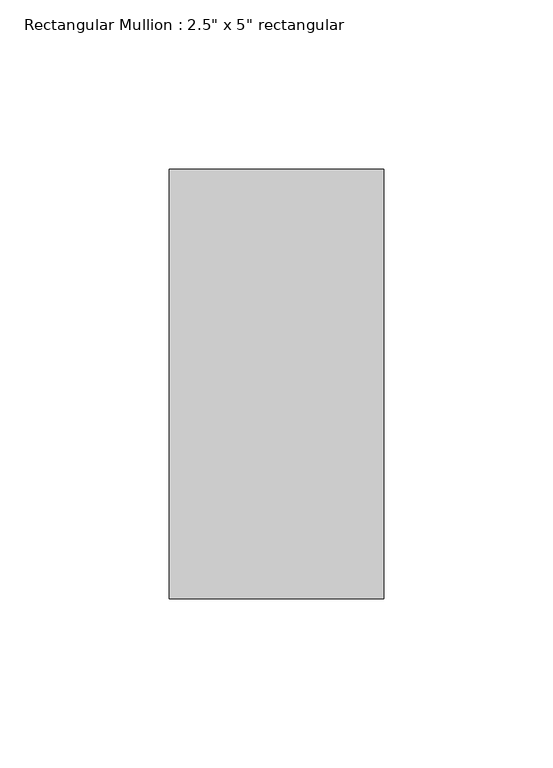
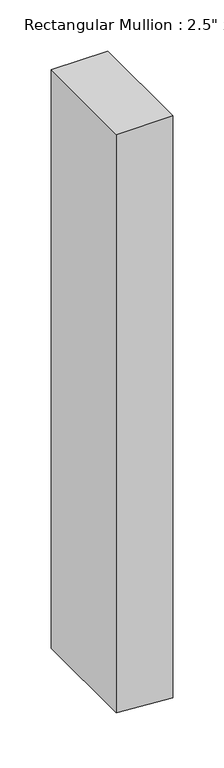
"""IFC4 building model written with IfcOpenShell, lengths in millimetres: member geometry."""

import ifcopenshell
import ifcopenshell.guid

model = None  # the IFC model being written
_history = None  # IfcOwnerHistory: only IFC2X3 demands one
_inside = {}  # id of a spatial element -> (the spatial element, [elements in it])
_under = {}  # id of a project, library or spatial element -> (it, [spatial elements below it])
_declared = {}  # id of a project -> (the project, [libraries it declares])
_typed = {}  # id of a type object -> (the type object, [elements of that type])
_made_of = {}  # id of a material, layer set ... -> (it, [elements and type objects made of it])


def new_model(schema):
    """Start an empty IFC model of exactly this schema.

    Asked for "IFC4X3", IfcOpenShell would pick the latest addendum, in which some entities
    have other attributes; the version numbers below select the first issue.
    IFC2X3 requires an IfcOwnerHistory on every rooted entity: one is made here for all.
    """
    global model, _history
    if schema == "IFC4X3":
        model = ifcopenshell.file(schema_version=(4, 3, 0, 0))
    else:
        model = ifcopenshell.file(schema=schema)
    _inside.clear()
    _under.clear()
    _declared.clear()
    _typed.clear()
    _made_of.clear()
    _history = None
    if model.schema == "IFC2X3":
        org = make("IfcOrganization", Name="unknown")
        user = make(
            "IfcPersonAndOrganization",
            ThePerson=make("IfcPerson", FamilyName="unknown"),
            TheOrganization=org,
        )
        app = make(
            "IfcApplication",
            ApplicationDeveloper=org,
            Version="unknown",
            ApplicationFullName="unknown",
            ApplicationIdentifier="unknown",
        )
        _history = make(
            "IfcOwnerHistory",
            OwningUser=user,
            OwningApplication=app,
            ChangeAction="ADDED",
            CreationDate=0,
        )
    return model


def make(cls, **values):
    """One entity of the class cls with the attributes given. An attribute that is None is left unset."""
    return model.create_entity(
        cls, **{name: value for name, value in values.items() if value is not None}
    )


def rooted(cls, **values):
    """An entity with a GlobalId (a new one), such as an element, a storey or a relation."""
    return make(cls, GlobalId=ifcopenshell.guid.new(), OwnerHistory=_history, **values)


def si_unit(unit_type, name, prefix=None):
    """IfcSIUnit, for example si_unit("LENGTHUNIT", "METRE", prefix="MILLI")."""
    return make("IfcSIUnit", UnitType=unit_type, Prefix=prefix, Name=name)


def assignment(units):
    """IfcUnitAssignment: the units of a project."""
    return None if units is None else make("IfcUnitAssignment", Units=units)


def point(xyz):
    """IfcCartesianPoint."""
    return None if xyz is None else make("IfcCartesianPoint", Coordinates=xyz)


def direction(xyz):
    """IfcDirection."""
    return None if xyz is None else make("IfcDirection", DirectionRatios=xyz)


def frame(location, z_axis=None, x_axis=None):
    """IfcAxis2Placement3D, a coordinate frame: its origin and axes. An axis left out is left unset."""
    return make(
        "IfcAxis2Placement3D",
        Location=point(location),
        Axis=direction(z_axis),
        RefDirection=direction(x_axis),
    )


def origin():
    """The frame at (0, 0, 0) with its axes left unset."""
    return frame((0.0, 0.0, 0.0))


def place(relative_to, where):
    """IfcLocalPlacement: puts the frame where relative to a parent placement (None: the world)."""
    return make(
        "IfcLocalPlacement", PlacementRelTo=relative_to, RelativePlacement=where
    )


def context(
    kind, dimensions, precision=None, world=None, true_north=None, identifier=None
):
    """IfcGeometricRepresentationContext, for example the 3D "Model" context."""
    return make(
        "IfcGeometricRepresentationContext",
        ContextIdentifier=identifier,
        ContextType=kind,
        CoordinateSpaceDimension=dimensions,
        Precision=precision,
        WorldCoordinateSystem=world,
        TrueNorth=true_north,
    )


def project(units=None, contexts=None):
    """IfcProject with its units and contexts."""
    return rooted(
        "IfcProject",
        Name="project",
        RepresentationContexts=contexts,
        UnitsInContext=assignment(units),
    )


def spatial(cls, under=None, at=None, **own):
    """A site, building, storey or space (cls), placed at a placement, below another one or the project."""
    s = rooted(cls, ObjectPlacement=at, **own)
    if under is not None:
        _under.setdefault(under.id(), (under, []))[1].append(s)
    return s


def polyline(points):
    """IfcPolyline through the points."""
    return make("IfcPolyline", Points=[point(p) for p in points])


def outline(outer, holes=None, kind="AREA"):
    """IfcArbitraryClosedProfileDef: a profile drawn as a closed curve; with holes, ...WithVoids."""
    if holes is None:
        return make("IfcArbitraryClosedProfileDef", ProfileType=kind, OuterCurve=outer)
    return make(
        "IfcArbitraryProfileDefWithVoids",
        ProfileType=kind,
        OuterCurve=outer,
        InnerCurves=holes,
    )


def extrude(swept, where, along, depth):
    """IfcExtrudedAreaSolid: the profile swept, set in the frame where, extruded along a direction by depth."""
    return make(
        "IfcExtrudedAreaSolid",
        SweptArea=swept,
        Position=where,
        ExtrudedDirection=direction(along),
        Depth=depth,
    )


def shape(context_of_items, identifier, shape_type, items):
    """IfcShapeRepresentation: the items that make up one representation, for example the "Body"."""
    return make(
        "IfcShapeRepresentation",
        ContextOfItems=context_of_items,
        RepresentationIdentifier=identifier,
        RepresentationType=shape_type,
        Items=items,
    )


def source(mapping_origin, context_of_items, identifier, shape_type, items):
    """IfcRepresentationMap: a shape defined once, which mapped items show again and again."""
    return make(
        "IfcRepresentationMap",
        MappingOrigin=mapping_origin,
        MappedRepresentation=shape(context_of_items, identifier, shape_type, items),
    )


def transform(
    local_origin,
    x_axis=None,
    y_axis=None,
    z_axis=None,
    scale=None,
    scale2=None,
    scale3=None,
    uniform=True,
):
    """IfcCartesianTransformationOperator3D, or its non-uniform kind. x_axis, y_axis, z_axis: its Axis1, 2, 3."""
    if uniform:
        return make(
            "IfcCartesianTransformationOperator3D",
            Axis1=direction(x_axis),
            Axis2=direction(y_axis),
            LocalOrigin=point(local_origin),
            Scale=scale,
            Axis3=direction(z_axis),
        )
    return make(
        "IfcCartesianTransformationOperator3DnonUniform",
        Axis1=direction(x_axis),
        Axis2=direction(y_axis),
        LocalOrigin=point(local_origin),
        Scale=scale,
        Axis3=direction(z_axis),
        Scale2=scale2,
        Scale3=scale3,
    )


def mapped(mapping_source, mapping_target):
    """IfcMappedItem: shows the shape of a source again, moved by a transform."""
    return make(
        "IfcMappedItem", MappingSource=mapping_source, MappingTarget=mapping_target
    )


def made_of(thing, what):
    """Note that an element or type object is made of a material, layer set ...; save() writes the relation."""
    if what is not None:
        _made_of.setdefault(what.id(), (what, []))[1].append(thing)
    return thing


def element(
    cls,
    number,
    at=None,
    inside=None,
    cuts=None,
    type_object=None,
    material=None,
    context=None,
    identifier="Body",
    shape_type=None,
    held_by="IfcProductDefinitionShape",
    body=None,
    shapes=None,
    **own,
):
    """One element of the class cls, such as IfcWall. Its Tag is "e" and its number.

    at: its placement. inside: the storey or other place that contains it. cuts: it is an
    opening in that element (IfcRelVoidsElement). A single representation is given by context,
    identifier, shape_type and body (its items); several are given by shapes. held_by: the class
    of the entity that holds the representations. save() writes the other relations.
    """
    e = rooted(cls, Tag="e%d" % number, ObjectPlacement=at, **own)
    if body is not None:
        shapes = [shape(context, identifier, shape_type, body)]
    if shapes is not None:
        e.Representation = make(held_by, Representations=shapes)
    if inside is not None:
        _inside.setdefault(inside.id(), (inside, []))[1].append(e)
    if cuts is not None:
        rooted(
            "IfcRelVoidsElement", RelatingBuildingElement=cuts, RelatedOpeningElement=e
        )
    if type_object is not None:
        _typed.setdefault(type_object.id(), (type_object, []))[1].append(e)
    return made_of(e, material)


def aggregate(whole, parts):
    """IfcRelAggregates: a whole, such as a stair, and the parts it consists of."""
    return rooted("IfcRelAggregates", RelatingObject=whole, RelatedObjects=parts)


def save(model, path):
    """Write the relations noted so far, then the file.

    IfcRelAggregates (storeys below a building ...), IfcRelContainedInSpatialStructure (elements
    in a storey), IfcRelDefinesByType, IfcRelAssociatesMaterial and IfcRelDeclares: one each for
    every whole, place, type object, material and project.
    """
    for whole, parts in _under.values():
        aggregate(whole, parts)
    for where, things in _inside.values():
        rooted(
            "IfcRelContainedInSpatialStructure",
            RelatedElements=things,
            RelatingStructure=where,
        )
    for kind, things in _typed.values():
        rooted("IfcRelDefinesByType", RelatedObjects=things, RelatingType=kind)
    for what, things in _made_of.values():
        rooted("IfcRelAssociatesMaterial", RelatedObjects=things, RelatingMaterial=what)
    for by, libraries in _declared.values():
        rooted("IfcRelDeclares", RelatingContext=by, RelatedDefinitions=libraries)
    model.write(path)


def member_2f18c7f4(model_context):
    return source(origin(), model_context, "Body", "SweptSolid", [
        extrude(outline(polyline([(0.0, 31.75), (0.0, -31.75), (-689.1007174, -31.75), (-691.473588, 4.1852237), (-693.2943147, 31.75), (0.0, 31.75)])), frame((0.0, -63.5, 0.0), z_axis=(0.0, 1.0, 0.0), x_axis=(0.0, 0.0, 1.0)), (0.0, 0.0, 1.0), 127.0),
    ])


if __name__ == "__main__":
    model = new_model("IFC4")
    model_context = context("Model", 3, world=origin())
    ifc_project = project(units=[si_unit("LENGTHUNIT", "METRE", prefix="MILLI")], contexts=[model_context])
    site = spatial("IfcSite", under=ifc_project)
    building = spatial("IfcBuilding", under=site)
    placement = place(None, origin())
    member_shape = member_2f18c7f4(model_context)
    element("IfcMember", 1, ObjectType="Rectangular Mullion : 2.5\" x 5\" rectangular", at=placement, inside=building, context=model_context, shape_type="MappedRepresentation", body=[
        mapped(member_shape, transform((0.0, 0.0, 0.0), x_axis=(1.0, 0.0, 0.0), y_axis=(0.0, 1.0, 0.0), z_axis=(0.0, 0.0, 1.0))),
    ])
    save(model, "model.ifc")
